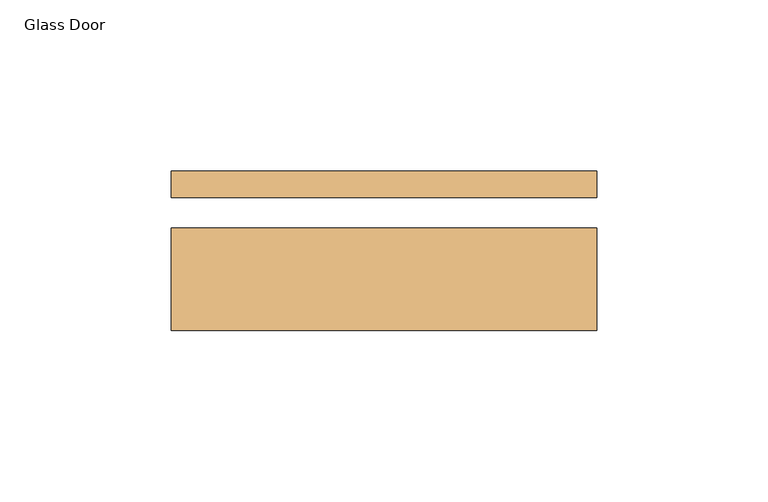
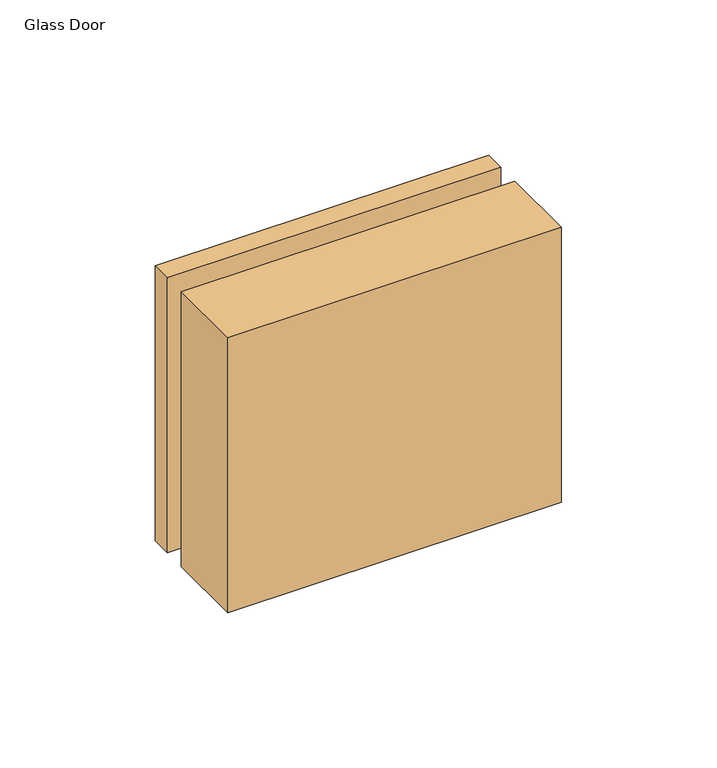
"""IFC4 building model written with IfcOpenShell, lengths in millimetres: door geometry, Glass Door."""

from ifc_helpers import new_model, si_unit, frame, origin, place, context, project, spatial, polyline, outline, extrude, source, transform, mapped, element, save


def glass_door_08374f17(model_context):
    return source(origin(), model_context, "Body", "SweptSolid", [
        extrude(outline(polyline([(473.5571289, -11.6290893), (473.5571289, -41.4740893), (349.5642266, -41.4740893), (349.5642266, -11.6290893), (473.5571289, -11.6290893)])), frame((0.0, 0.0, 952.4309645), z_axis=(0.0, 0.0, 1.0), x_axis=(1.0, 0.0, 0.0)), (0.0, 0.0, 1.0), 108.090611),
        extrude(outline(polyline([(349.5642266, -2.6120893), (349.5642266, 5.0079107), (473.5571289, 5.0079107), (473.5571289, -2.6120893), (349.5642266, -2.6120893)])), frame((0.0, 0.0, 952.4309645), z_axis=(0.0, 0.0, 1.0), x_axis=(1.0, 0.0, 0.0)), (0.0, 0.0, 1.0), 108.090611),
    ])


if __name__ == "__main__":
    model = new_model("IFC4")
    model_context = context("Model", 3, world=origin())
    ifc_project = project(units=[si_unit("LENGTHUNIT", "METRE", prefix="MILLI")], contexts=[model_context])
    site = spatial("IfcSite", under=ifc_project)
    building = spatial("IfcBuilding", under=site)
    placement = place(None, origin())
    glass_door_shape = glass_door_08374f17(model_context)
    element("IfcDoor", 1, ObjectType="Glass Door", at=placement, inside=building, context=model_context, shape_type="MappedRepresentation", body=[
        mapped(glass_door_shape, transform((0.0, 0.0, 0.0), x_axis=(1.0, 0.0, 0.0), y_axis=(0.0, 1.0, 0.0), z_axis=(0.0, 0.0, 1.0))),
    ])
    save(model, "model.ifc")
